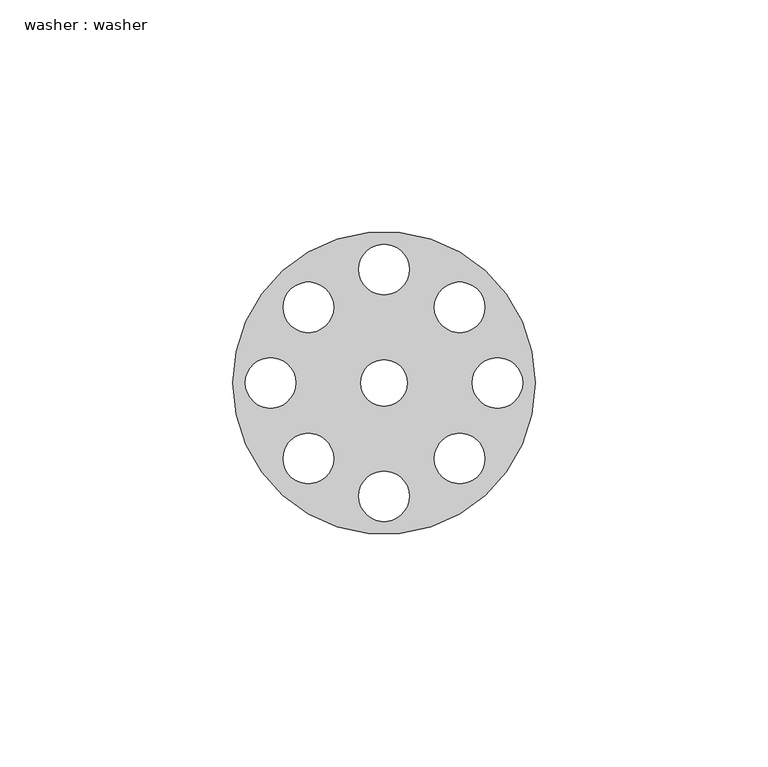
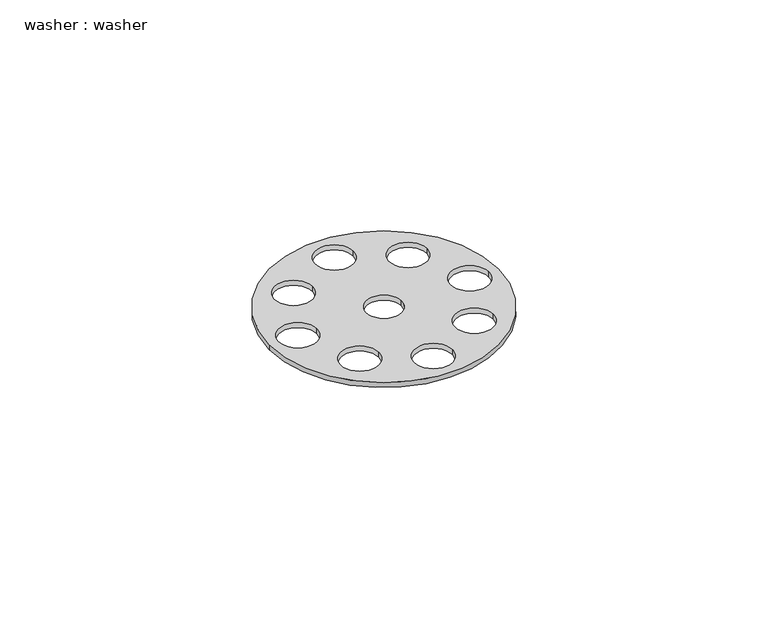
"""IFC4 building model written with IfcOpenShell, lengths in millimetres: proxy geometry, washer : washer."""

from ifc_helpers import new_model, si_unit, point, frame_2d, origin, origin_with_axes, origin_2d, place, context, project, spatial, circle_curve, trimmed, segment, composite_curve, outline, extrude, source, transform, mapped, element, save


def washer_washer_f5d419a6(model_context):
    return source(origin(), model_context, "Body", "SweptSolid", [
        extrude(outline(composite_curve([segment(trimmed(circle_curve(origin_2d(), 32.5), [point((-32.5, 0.0))], [point((32.5, 0.0))], False, "CARTESIAN"), True, "CONTINUOUS"), segment(trimmed(circle_curve(origin_2d(), 32.5), [point((32.5, 0.0))], [point((-32.5, 0.0))], False, "CARTESIAN"), True, "CONTINUOUS")], self_intersect=False), holes=[composite_curve([segment(trimmed(circle_curve(frame_2d((0.0, -24.375)), 5.4166667), [point((-5.4166667, -24.375))], [point((5.4166667, -24.375))], True, "CARTESIAN"), True, "CONTINUOUS"), segment(trimmed(circle_curve(frame_2d((0.0, -24.375)), 5.4166667), [point((5.4166667, -24.375))], [point((-5.4166667, -24.375))], True, "CARTESIAN"), True, "CONTINUOUS")], self_intersect=False), composite_curve([segment(trimmed(circle_curve(frame_2d((-16.25, -16.25)), 5.4166667), [point((-21.6666667, -16.25))], [point((-10.8333333, -16.25))], True, "CARTESIAN"), True, "CONTINUOUS"), segment(trimmed(circle_curve(frame_2d((-16.25, -16.25)), 5.4166667), [point((-10.8333333, -16.25))], [point((-21.6666667, -16.25))], True, "CARTESIAN"), True, "CONTINUOUS")], self_intersect=False), composite_curve([segment(trimmed(circle_curve(frame_2d((-24.375, 0.0)), 5.4166667), [point((-29.7916667, 0.0))], [point((-18.9583333, 0.0))], True, "CARTESIAN"), True, "CONTINUOUS"), segment(trimmed(circle_curve(frame_2d((-24.375, 0.0)), 5.4166667), [point((-18.9583333, 0.0))], [point((-29.7916667, 0.0))], True, "CARTESIAN"), True, "CONTINUOUS")], self_intersect=False), composite_curve([segment(trimmed(circle_curve(frame_2d((-16.25, 16.25)), 5.4166667), [point((-21.6666667, 16.25))], [point((-10.8333333, 16.25))], True, "CARTESIAN"), True, "CONTINUOUS"), segment(trimmed(circle_curve(frame_2d((-16.25, 16.25)), 5.4166667), [point((-10.8333333, 16.25))], [point((-21.6666667, 16.25))], True, "CARTESIAN"), True, "CONTINUOUS")], self_intersect=False), composite_curve([segment(trimmed(circle_curve(frame_2d((0.0, 24.375)), 5.4166667), [point((-5.4166667, 24.375))], [point((5.4166667, 24.375))], True, "CARTESIAN"), True, "CONTINUOUS"), segment(trimmed(circle_curve(frame_2d((0.0, 24.375)), 5.4166667), [point((5.4166667, 24.375))], [point((-5.4166667, 24.375))], True, "CARTESIAN"), True, "CONTINUOUS")], self_intersect=False), composite_curve([segment(trimmed(circle_curve(frame_2d((16.25, 16.25)), 5.4166667), [point((10.8333333, 16.25))], [point((21.6666667, 16.25))], True, "CARTESIAN"), True, "CONTINUOUS"), segment(trimmed(circle_curve(frame_2d((16.25, 16.25)), 5.4166667), [point((21.6666667, 16.25))], [point((10.8333333, 16.25))], True, "CARTESIAN"), True, "CONTINUOUS")], self_intersect=False), composite_curve([segment(trimmed(circle_curve(frame_2d((24.375, 0.0)), 5.4166667), [point((18.9583333, 0.0))], [point((29.7916667, 0.0))], True, "CARTESIAN"), True, "CONTINUOUS"), segment(trimmed(circle_curve(frame_2d((24.375, 0.0)), 5.4166667), [point((29.7916667, 0.0))], [point((18.9583333, 0.0))], True, "CARTESIAN"), True, "CONTINUOUS")], self_intersect=False), composite_curve([segment(trimmed(circle_curve(frame_2d((16.25, -16.25)), 5.4166667), [point((10.8333333, -16.25))], [point((21.6666667, -16.25))], True, "CARTESIAN"), True, "CONTINUOUS"), segment(trimmed(circle_curve(frame_2d((16.25, -16.25)), 5.4166667), [point((21.6666667, -16.25))], [point((10.8333333, -16.25))], True, "CARTESIAN"), True, "CONTINUOUS")], self_intersect=False), composite_curve([segment(trimmed(circle_curve(origin_2d(), 5.0), [point((-5.0, 0.0))], [point((5.0, 0.0))], True, "CARTESIAN"), True, "CONTINUOUS"), segment(trimmed(circle_curve(origin_2d(), 5.0), [point((5.0, 0.0))], [point((-5.0, 0.0))], True, "CARTESIAN"), True, "CONTINUOUS")], self_intersect=False)]), origin_with_axes(), (0.0, 0.0, 1.0), 1.5),
    ])


if __name__ == "__main__":
    model = new_model("IFC4")
    model_context = context("Model", 3, world=origin())
    ifc_project = project(units=[si_unit("LENGTHUNIT", "METRE", prefix="MILLI")], contexts=[model_context])
    site = spatial("IfcSite", under=ifc_project)
    building = spatial("IfcBuilding", under=site)
    placement = place(None, origin())
    washer_washer_shape = washer_washer_f5d419a6(model_context)
    element("IfcBuildingElementProxy", 1, Name="washer : washer", ObjectType="washer : washer", at=placement, inside=building, context=model_context, shape_type="MappedRepresentation", body=[
        mapped(washer_washer_shape, transform((0.0, 0.0, 0.0), x_axis=(1.0, 0.0, 0.0), y_axis=(0.0, 1.0, 0.0), z_axis=(0.0, 0.0, 1.0))),
    ])
    save(model, "model.ifc")
